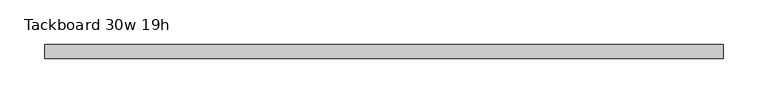
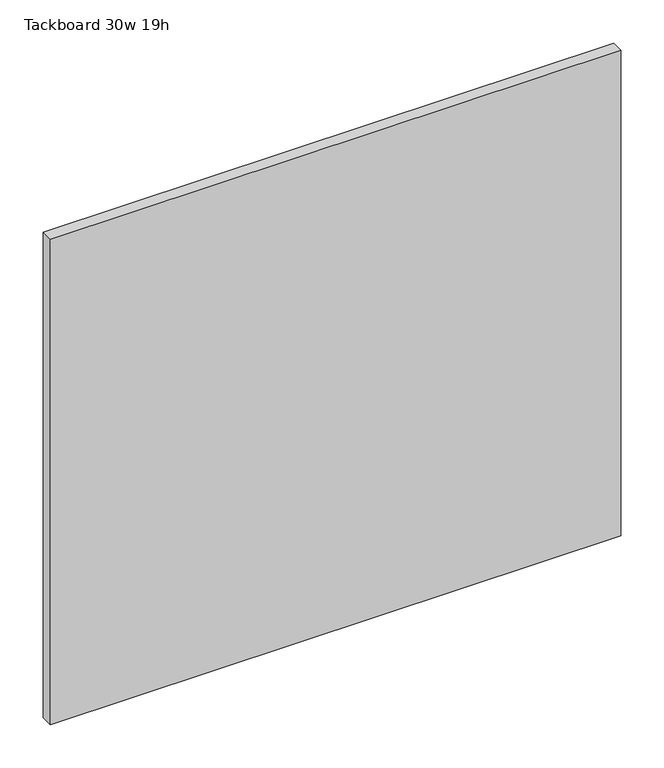
"""IFC4 building model written with IfcOpenShell, lengths in millimetres: furniture geometry, Tackboard 30w 19h."""

from ifc_helpers import new_model, si_unit, frame, origin, place, context, project, spatial, polyline, outline, extrude, source, transform, mapped, element, save


def tackboard_30w_19h_70bd6424(model_context):
    return source(origin(), model_context, "Body", "SweptSolid", [
        extrude(outline(polyline([(383.4402902, -28.8968594), (-378.5597098, -28.8968594), (-378.5597098, -13.0218594), (383.4402902, -13.0218594), (383.4402902, -28.8968594)])), frame((0.0, 0.0, 1066.8), z_axis=(0.0, 0.0, 1.0), x_axis=(1.0, 0.0, 0.0)), (0.0, 0.0, 1.0), 685.8),
    ])


if __name__ == "__main__":
    model = new_model("IFC4")
    model_context = context("Model", 3, world=origin())
    ifc_project = project(units=[si_unit("LENGTHUNIT", "METRE", prefix="MILLI")], contexts=[model_context])
    site = spatial("IfcSite", under=ifc_project)
    building = spatial("IfcBuilding", under=site)
    placement = place(None, origin())
    tackboard_30w_19h_shape = tackboard_30w_19h_70bd6424(model_context)
    element("IfcFurniture", 1, ObjectType="Tackboard 30w 19h", at=placement, inside=building, context=model_context, shape_type="MappedRepresentation", body=[
        mapped(tackboard_30w_19h_shape, transform((0.0, 0.0, 0.0), x_axis=(1.0, 0.0, 0.0), y_axis=(0.0, 1.0, 0.0), z_axis=(0.0, 0.0, 1.0))),
    ])
    save(model, "model.ifc")
